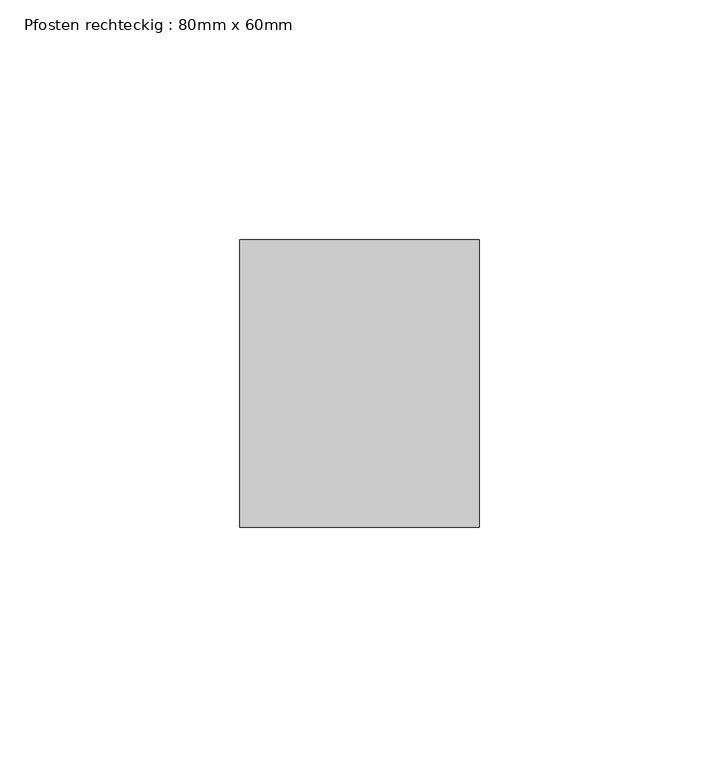
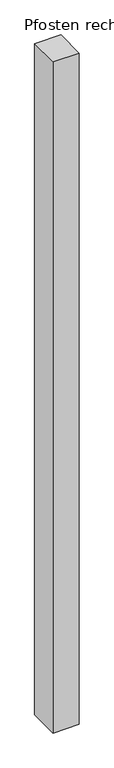
"""IFC4 building model written with IfcOpenShell, lengths in millimetres: member geometry, Pfosten rechteckig : 80mm x 60mm."""

from ifc_helpers import new_model, si_unit, frame, origin, place, context, project, spatial, polyline, outline, extrude, source, transform, mapped, element, save


def pfosten_rechteckig_80mm_x_60mm_f05bc5d0(model_context):
    return source(origin(), model_context, "Body", "SweptSolid", [
        extrude(outline(polyline([(0.0, 30.0), (0.0, -30.0), (-50.0, -30.0), (-50.0, 30.0), (0.0, 30.0)])), frame((0.0, 0.0, -1350.0), z_axis=(0.0, 0.0, 1.0), x_axis=(1.0, 0.0, 0.0)), (0.0, 0.0, 1.0), 1350.0),
    ])


if __name__ == "__main__":
    model = new_model("IFC4")
    model_context = context("Model", 3, world=origin())
    ifc_project = project(units=[si_unit("LENGTHUNIT", "METRE", prefix="MILLI")], contexts=[model_context])
    site = spatial("IfcSite", under=ifc_project)
    building = spatial("IfcBuilding", under=site)
    placement = place(None, origin())
    pfosten_rechteckig_80mm_x_60mm_shape = pfosten_rechteckig_80mm_x_60mm_f05bc5d0(model_context)
    element("IfcMember", 1, ObjectType="Pfosten rechteckig : 80mm x 60mm", at=placement, inside=building, context=model_context, shape_type="MappedRepresentation", body=[
        mapped(pfosten_rechteckig_80mm_x_60mm_shape, transform((0.0, 0.0, 0.0), x_axis=(1.0, 0.0, 0.0), y_axis=(0.0, 1.0, 0.0), z_axis=(0.0, 0.0, 1.0))),
    ])
    save(model, "model.ifc")
